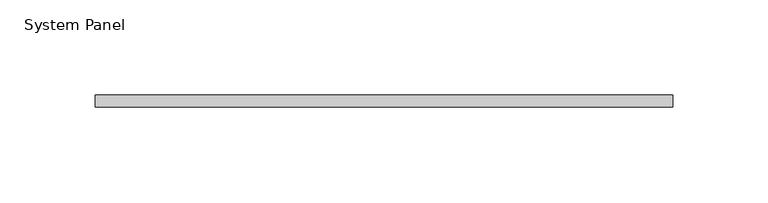
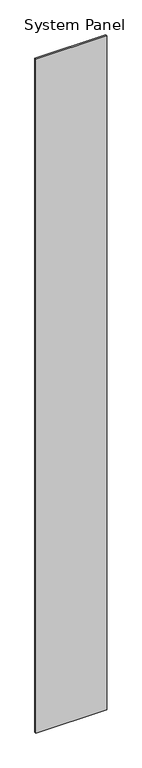
"""IFC4 building model written with IfcOpenShell, lengths in millimetres: plate geometry, System Panel."""

import ifcopenshell
import ifcopenshell.guid

model = None  # the IFC model being written
_history = None  # IfcOwnerHistory: only IFC2X3 demands one
_inside = {}  # id of a spatial element -> (the spatial element, [elements in it])
_under = {}  # id of a project, library or spatial element -> (it, [spatial elements below it])
_declared = {}  # id of a project -> (the project, [libraries it declares])
_typed = {}  # id of a type object -> (the type object, [elements of that type])
_made_of = {}  # id of a material, layer set ... -> (it, [elements and type objects made of it])


def new_model(schema):
    """Start an empty IFC model of exactly this schema.

    Asked for "IFC4X3", IfcOpenShell would pick the latest addendum, in which some entities
    have other attributes; the version numbers below select the first issue.
    IFC2X3 requires an IfcOwnerHistory on every rooted entity: one is made here for all.
    """
    global model, _history
    if schema == "IFC4X3":
        model = ifcopenshell.file(schema_version=(4, 3, 0, 0))
    else:
        model = ifcopenshell.file(schema=schema)
    _inside.clear()
    _under.clear()
    _declared.clear()
    _typed.clear()
    _made_of.clear()
    _history = None
    if model.schema == "IFC2X3":
        org = make("IfcOrganization", Name="unknown")
        user = make(
            "IfcPersonAndOrganization",
            ThePerson=make("IfcPerson", FamilyName="unknown"),
            TheOrganization=org,
        )
        app = make(
            "IfcApplication",
            ApplicationDeveloper=org,
            Version="unknown",
            ApplicationFullName="unknown",
            ApplicationIdentifier="unknown",
        )
        _history = make(
            "IfcOwnerHistory",
            OwningUser=user,
            OwningApplication=app,
            ChangeAction="ADDED",
            CreationDate=0,
        )
    return model


def make(cls, **values):
    """One entity of the class cls with the attributes given. An attribute that is None is left unset."""
    return model.create_entity(
        cls, **{name: value for name, value in values.items() if value is not None}
    )


def rooted(cls, **values):
    """An entity with a GlobalId (a new one), such as an element, a storey or a relation."""
    return make(cls, GlobalId=ifcopenshell.guid.new(), OwnerHistory=_history, **values)


def si_unit(unit_type, name, prefix=None):
    """IfcSIUnit, for example si_unit("LENGTHUNIT", "METRE", prefix="MILLI")."""
    return make("IfcSIUnit", UnitType=unit_type, Prefix=prefix, Name=name)


def assignment(units):
    """IfcUnitAssignment: the units of a project."""
    return None if units is None else make("IfcUnitAssignment", Units=units)


def point(xyz):
    """IfcCartesianPoint."""
    return None if xyz is None else make("IfcCartesianPoint", Coordinates=xyz)


def direction(xyz):
    """IfcDirection."""
    return None if xyz is None else make("IfcDirection", DirectionRatios=xyz)


def frame(location, z_axis=None, x_axis=None):
    """IfcAxis2Placement3D, a coordinate frame: its origin and axes. An axis left out is left unset."""
    return make(
        "IfcAxis2Placement3D",
        Location=point(location),
        Axis=direction(z_axis),
        RefDirection=direction(x_axis),
    )


def origin():
    """The frame at (0, 0, 0) with its axes left unset."""
    return frame((0.0, 0.0, 0.0))


def origin_with_axes():
    """The frame at (0, 0, 0) with the z axis (0, 0, 1) and the x axis (1, 0, 0) written out."""
    return frame((0.0, 0.0, 0.0), z_axis=(0.0, 0.0, 1.0), x_axis=(1.0, 0.0, 0.0))


def place(relative_to, where):
    """IfcLocalPlacement: puts the frame where relative to a parent placement (None: the world)."""
    return make(
        "IfcLocalPlacement", PlacementRelTo=relative_to, RelativePlacement=where
    )


def context(
    kind, dimensions, precision=None, world=None, true_north=None, identifier=None
):
    """IfcGeometricRepresentationContext, for example the 3D "Model" context."""
    return make(
        "IfcGeometricRepresentationContext",
        ContextIdentifier=identifier,
        ContextType=kind,
        CoordinateSpaceDimension=dimensions,
        Precision=precision,
        WorldCoordinateSystem=world,
        TrueNorth=true_north,
    )


def project(units=None, contexts=None):
    """IfcProject with its units and contexts."""
    return rooted(
        "IfcProject",
        Name="project",
        RepresentationContexts=contexts,
        UnitsInContext=assignment(units),
    )


def spatial(cls, under=None, at=None, **own):
    """A site, building, storey or space (cls), placed at a placement, below another one or the project."""
    s = rooted(cls, ObjectPlacement=at, **own)
    if under is not None:
        _under.setdefault(under.id(), (under, []))[1].append(s)
    return s


def polyline(points):
    """IfcPolyline through the points."""
    return make("IfcPolyline", Points=[point(p) for p in points])


def outline(outer, holes=None, kind="AREA"):
    """IfcArbitraryClosedProfileDef: a profile drawn as a closed curve; with holes, ...WithVoids."""
    if holes is None:
        return make("IfcArbitraryClosedProfileDef", ProfileType=kind, OuterCurve=outer)
    return make(
        "IfcArbitraryProfileDefWithVoids",
        ProfileType=kind,
        OuterCurve=outer,
        InnerCurves=holes,
    )


def extrude(swept, where, along, depth):
    """IfcExtrudedAreaSolid: the profile swept, set in the frame where, extruded along a direction by depth."""
    return make(
        "IfcExtrudedAreaSolid",
        SweptArea=swept,
        Position=where,
        ExtrudedDirection=direction(along),
        Depth=depth,
    )


def shape(context_of_items, identifier, shape_type, items):
    """IfcShapeRepresentation: the items that make up one representation, for example the "Body"."""
    return make(
        "IfcShapeRepresentation",
        ContextOfItems=context_of_items,
        RepresentationIdentifier=identifier,
        RepresentationType=shape_type,
        Items=items,
    )


def source(mapping_origin, context_of_items, identifier, shape_type, items):
    """IfcRepresentationMap: a shape defined once, which mapped items show again and again."""
    return make(
        "IfcRepresentationMap",
        MappingOrigin=mapping_origin,
        MappedRepresentation=shape(context_of_items, identifier, shape_type, items),
    )


def transform(
    local_origin,
    x_axis=None,
    y_axis=None,
    z_axis=None,
    scale=None,
    scale2=None,
    scale3=None,
    uniform=True,
):
    """IfcCartesianTransformationOperator3D, or its non-uniform kind. x_axis, y_axis, z_axis: its Axis1, 2, 3."""
    if uniform:
        return make(
            "IfcCartesianTransformationOperator3D",
            Axis1=direction(x_axis),
            Axis2=direction(y_axis),
            LocalOrigin=point(local_origin),
            Scale=scale,
            Axis3=direction(z_axis),
        )
    return make(
        "IfcCartesianTransformationOperator3DnonUniform",
        Axis1=direction(x_axis),
        Axis2=direction(y_axis),
        LocalOrigin=point(local_origin),
        Scale=scale,
        Axis3=direction(z_axis),
        Scale2=scale2,
        Scale3=scale3,
    )


def mapped(mapping_source, mapping_target):
    """IfcMappedItem: shows the shape of a source again, moved by a transform."""
    return make(
        "IfcMappedItem", MappingSource=mapping_source, MappingTarget=mapping_target
    )


def made_of(thing, what):
    """Note that an element or type object is made of a material, layer set ...; save() writes the relation."""
    if what is not None:
        _made_of.setdefault(what.id(), (what, []))[1].append(thing)
    return thing


def element(
    cls,
    number,
    at=None,
    inside=None,
    cuts=None,
    type_object=None,
    material=None,
    context=None,
    identifier="Body",
    shape_type=None,
    held_by="IfcProductDefinitionShape",
    body=None,
    shapes=None,
    **own,
):
    """One element of the class cls, such as IfcWall. Its Tag is "e" and its number.

    at: its placement. inside: the storey or other place that contains it. cuts: it is an
    opening in that element (IfcRelVoidsElement). A single representation is given by context,
    identifier, shape_type and body (its items); several are given by shapes. held_by: the class
    of the entity that holds the representations. save() writes the other relations.
    """
    e = rooted(cls, Tag="e%d" % number, ObjectPlacement=at, **own)
    if body is not None:
        shapes = [shape(context, identifier, shape_type, body)]
    if shapes is not None:
        e.Representation = make(held_by, Representations=shapes)
    if inside is not None:
        _inside.setdefault(inside.id(), (inside, []))[1].append(e)
    if cuts is not None:
        rooted(
            "IfcRelVoidsElement", RelatingBuildingElement=cuts, RelatedOpeningElement=e
        )
    if type_object is not None:
        _typed.setdefault(type_object.id(), (type_object, []))[1].append(e)
    return made_of(e, material)


def aggregate(whole, parts):
    """IfcRelAggregates: a whole, such as a stair, and the parts it consists of."""
    return rooted("IfcRelAggregates", RelatingObject=whole, RelatedObjects=parts)


def save(model, path):
    """Write the relations noted so far, then the file.

    IfcRelAggregates (storeys below a building ...), IfcRelContainedInSpatialStructure (elements
    in a storey), IfcRelDefinesByType, IfcRelAssociatesMaterial and IfcRelDeclares: one each for
    every whole, place, type object, material and project.
    """
    for whole, parts in _under.values():
        aggregate(whole, parts)
    for where, things in _inside.values():
        rooted(
            "IfcRelContainedInSpatialStructure",
            RelatedElements=things,
            RelatingStructure=where,
        )
    for kind, things in _typed.values():
        rooted("IfcRelDefinesByType", RelatedObjects=things, RelatingType=kind)
    for what, things in _made_of.values():
        rooted("IfcRelAssociatesMaterial", RelatedObjects=things, RelatingMaterial=what)
    for by, libraries in _declared.values():
        rooted("IfcRelDeclares", RelatingContext=by, RelatedDefinitions=libraries)
    model.write(path)


def system_panel_3a3bbbf5(model_context):
    return source(origin(), model_context, "Body", "SweptSolid", [
        extrude(outline(polyline([(151.7619687, -6.35), (-151.7619687, -6.35), (-151.7619687, 0.0), (151.7619687, 0.0), (151.7619687, -6.35)])), origin_with_axes(), (0.0, 0.0, 1.0), 3048.0),
    ])


if __name__ == "__main__":
    model = new_model("IFC4")
    model_context = context("Model", 3, world=origin())
    ifc_project = project(units=[si_unit("LENGTHUNIT", "METRE", prefix="MILLI")], contexts=[model_context])
    site = spatial("IfcSite", under=ifc_project)
    building = spatial("IfcBuilding", under=site)
    placement = place(None, origin())
    system_panel_shape = system_panel_3a3bbbf5(model_context)
    element("IfcPlate", 1, ObjectType="System Panel", at=placement, inside=building, context=model_context, shape_type="MappedRepresentation", body=[
        mapped(system_panel_shape, transform((0.0, 0.0, 0.0), x_axis=(1.0, 0.0, 0.0), y_axis=(0.0, 1.0, 0.0), z_axis=(0.0, 0.0, 1.0))),
    ])
    save(model, "model.ifc")
